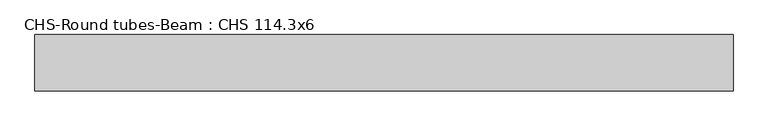
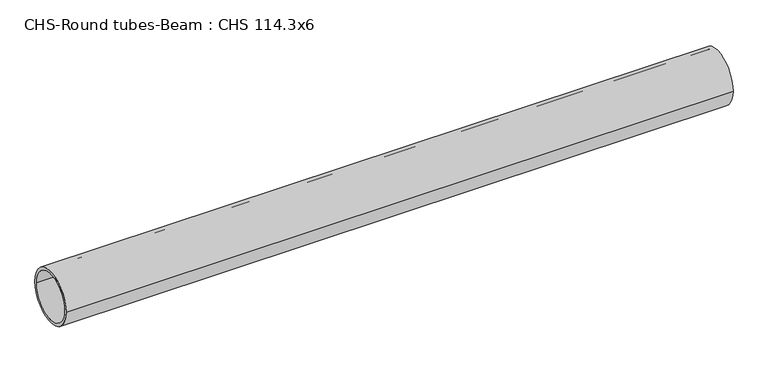
"""IFC4 building model written with IfcOpenShell, lengths in millimetres: beam geometry, CHS-Round tubes-Beam : CHS 114.3x6."""

from ifc_helpers import new_model, si_unit, point, frame, origin, origin_2d, place, context, project, spatial, circle_curve, trimmed, segment, composite_curve, outline, extrude, source, transform, mapped, element, save


def chs_round_tubes_beam_chs_114_3x6_e1dd1b79(model_context):
    return source(origin(), model_context, "Body", "SweptSolid", [
        extrude(outline(composite_curve([segment(trimmed(circle_curve(origin_2d(), 57.15), [point((57.15, 0.0))], [point((-57.15, 0.0))], False, "CARTESIAN"), True, "CONTINUOUS"), segment(trimmed(circle_curve(origin_2d(), 57.15), [point((-57.15, 0.0))], [point((57.15, 0.0))], False, "CARTESIAN"), True, "CONTINUOUS")], self_intersect=False), holes=[composite_curve([segment(trimmed(circle_curve(origin_2d(), 51.15), [point((51.15, 0.0))], [point((-51.15, 0.0))], True, "CARTESIAN"), True, "CONTINUOUS"), segment(trimmed(circle_curve(origin_2d(), 51.15), [point((-51.15, 0.0))], [point((51.15, 0.0))], True, "CARTESIAN"), True, "CONTINUOUS")], self_intersect=False)]), frame((-772.7531847, 0.0, 0.0), z_axis=(1.0, 0.0, 0.0), x_axis=(0.0, 1.0, 0.0)), (0.0, 0.0, 1.0), 1414.8410585),
    ])


if __name__ == "__main__":
    model = new_model("IFC4")
    model_context = context("Model", 3, world=origin())
    ifc_project = project(units=[si_unit("LENGTHUNIT", "METRE", prefix="MILLI")], contexts=[model_context])
    site = spatial("IfcSite", under=ifc_project)
    building = spatial("IfcBuilding", under=site)
    placement = place(None, origin())
    chs_round_tubes_beam_chs_114_3x6_shape = chs_round_tubes_beam_chs_114_3x6_e1dd1b79(model_context)
    element("IfcBeam", 1, ObjectType="CHS-Round tubes-Beam : CHS 114.3x6", at=placement, inside=building, context=model_context, shape_type="MappedRepresentation", body=[
        mapped(chs_round_tubes_beam_chs_114_3x6_shape, transform((0.0, 0.0, 0.0), x_axis=(1.0, 0.0, 0.0), y_axis=(0.0, 1.0, 0.0), z_axis=(0.0, 0.0, 1.0))),
    ])
    save(model, "model.ifc")
